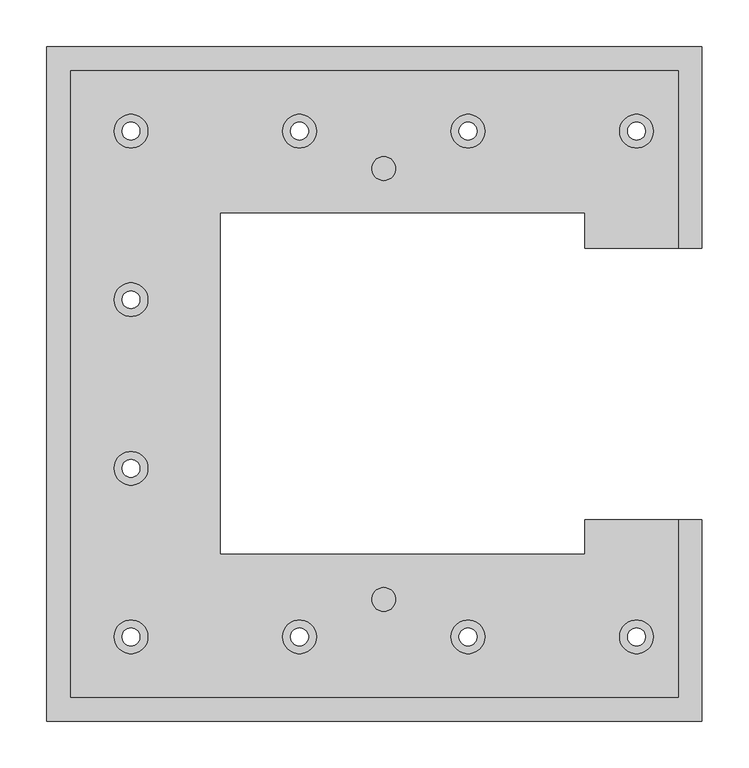
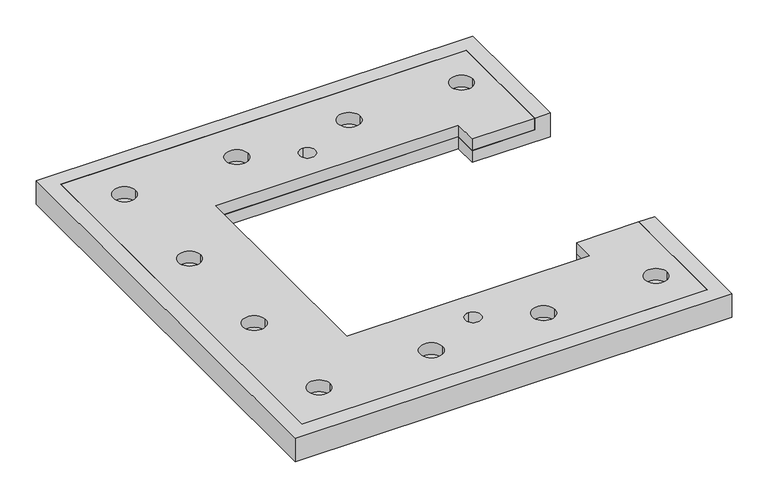
"""IFC4 building model written with IfcOpenShell, lengths in millimetres: proxy geometry."""

from ifc_helpers import new_model, si_unit, point, frame, frame_2d, origin, place, context, project, spatial, polyline, circle_curve, trimmed, segment, composite_curve, outline, extrude, source, transform, mapped, element, save
from ifc_brep_helpers import plane_surface, revolved_surface, advanced_brep


def specialty_equipment_c171bebd(model_context):
    return source(origin(), model_context, "Body", "SolidModel", [
        advanced_brep(
        [(315.0220252, 335.0, -20.0), (-335.0, 335.0, -20.0), (-335.0, -335.0, -20.0), (315.0220252, -335.0, -20.0), (315.0220252, -145.0, -20.0), (215.0, -145.0, -20.0), (215.0, -182.0, -20.0), (-175.0, -182.0, -20.0), (-175.0, 183.0, -20.0), (215.0, 183.0, -20.0), (215.0, 145.0, -20.0), (315.0220252, 145.0, -20.0), (-270.0, 260.4518489, -20.0), (-270.0, 279.4987168, -20.0), (-90.0, 260.4518489, -20.0), (-90.0, 279.4987168, -20.0), (90.0, 260.4518489, -20.0), (90.0, 279.4987168, -20.0), (270.0, 260.4518489, -20.0), (270.0, 279.4987168, -20.0), (-270.0, -279.5481511, -20.0), (-270.0, -260.5012832, -20.0), (-90.0, -279.5481511, -20.0), (-90.0, -260.5012832, -20.0), (90.0, -279.5481511, -20.0), (90.0, -260.5012832, -20.0), (270.0, -279.5481511, -20.0), (270.0, -260.5012832, -20.0), (-270.0, -99.5481511, -20.0), (-270.0, -80.5012832, -20.0), (-270.0, 80.4518489, -20.0), (-270.0, 99.4987168, -20.0), (315.0220252, 335.0, 0.0), (-335.0, 335.0, 0.0), (-335.0, -335.0, 0.0), (315.0220252, -335.0, 0.0), (315.0220252, 145.0, 0.0), (315.0220252, -145.0, 0.0), (-360.0, 360.0, -40.0), (340.0167038, 360.0, -40.0), (340.0167038, 145.0, -40.0), (215.0, 145.0, -40.0), (215.0, 183.0, -40.0), (-175.0, 183.0, -40.0), (-175.0, -182.0, -40.0), (215.0, -182.0, -40.0), (215.0, -145.0, -40.0), (340.0167038, -145.0, -40.0), (340.0167038, -360.0, -40.0), (-360.0, -360.0, -40.0), (-270.0, 260.4518489, -40.0), (-270.0, 279.4987168, -40.0), (-90.0, 260.4518489, -40.0), (-90.0, 279.4987168, -40.0), (90.0, 260.4518489, -40.0), (90.0, 279.4987168, -40.0), (270.0, 260.4518489, -40.0), (270.0, 279.4987168, -40.0), (-270.0, -279.5481511, -40.0), (-270.0, -260.5012832, -40.0), (-90.0, -279.5481511, -40.0), (-90.0, -260.5012832, -40.0), (90.0, -279.5481511, -40.0), (90.0, -260.5012832, -40.0), (270.0, -279.5481511, -40.0), (270.0, -260.5012832, -40.0), (-270.0, -99.5481511, -40.0), (-270.0, -80.5012832, -40.0), (-270.0, 80.4518489, -40.0), (-270.0, 99.4987168, -40.0), (-360.0, 360.0, 0.0), (-360.0, -360.0, 0.0), (340.0167038, -360.0, 0.0), (340.0167038, -145.0, 0.0), (340.0167038, 145.0, 0.0), (340.0167038, 360.0, 0.0)],
        [
            (0, 1),
            (1, 2),
            (2, 3),
            (3, 4),
            (4, 5),
            (5, 6),
            (6, 7),
            (7, 8),
            (8, 9),
            (9, 10),
            (10, 11),
            (11, 0),
            (12, 13, circle_curve(frame((-270.0, 269.9752829, -20.0), z_axis=(0.0, 0.0, -1.0), x_axis=(0.0, 1.0, 0.0)), 9.523434)),
            (13, 12, circle_curve(frame((-270.0, 269.9752829, -20.0), z_axis=(0.0, 0.0, -1.0), x_axis=(0.0, 1.0, 0.0)), 9.523434)),
            (14, 15, circle_curve(frame((-90.0, 269.9752829, -20.0), z_axis=(0.0, 0.0, -1.0), x_axis=(0.0, 1.0, 0.0)), 9.523434)),
            (15, 14, circle_curve(frame((-90.0, 269.9752829, -20.0), z_axis=(0.0, 0.0, -1.0), x_axis=(0.0, 1.0, 0.0)), 9.523434)),
            (16, 17, circle_curve(frame((90.0, 269.9752829, -20.0), z_axis=(0.0, 0.0, -1.0), x_axis=(0.0, 1.0, 0.0)), 9.523434)),
            (17, 16, circle_curve(frame((90.0, 269.9752829, -20.0), z_axis=(0.0, 0.0, -1.0), x_axis=(0.0, 1.0, 0.0)), 9.523434)),
            (18, 19, circle_curve(frame((270.0, 269.9752829, -20.0), z_axis=(0.0, 0.0, -1.0), x_axis=(0.0, 1.0, 0.0)), 9.523434)),
            (19, 18, circle_curve(frame((270.0, 269.9752829, -20.0), z_axis=(0.0, 0.0, -1.0), x_axis=(0.0, 1.0, 0.0)), 9.523434)),
            (20, 21, circle_curve(frame((-270.0, -270.0247171, -20.0), z_axis=(0.0, 0.0, -1.0), x_axis=(0.0, 1.0, 0.0)), 9.523434)),
            (21, 20, circle_curve(frame((-270.0, -270.0247171, -20.0), z_axis=(0.0, 0.0, -1.0), x_axis=(0.0, 1.0, 0.0)), 9.523434)),
            (22, 23, circle_curve(frame((-90.0, -270.0247171, -20.0), z_axis=(0.0, 0.0, -1.0), x_axis=(0.0, 1.0, 0.0)), 9.523434)),
            (23, 22, circle_curve(frame((-90.0, -270.0247171, -20.0), z_axis=(0.0, 0.0, -1.0), x_axis=(0.0, 1.0, 0.0)), 9.523434)),
            (24, 25, circle_curve(frame((90.0, -270.0247171, -20.0), z_axis=(0.0, 0.0, -1.0), x_axis=(0.0, 1.0, 0.0)), 9.523434)),
            (25, 24, circle_curve(frame((90.0, -270.0247171, -20.0), z_axis=(0.0, 0.0, -1.0), x_axis=(0.0, 1.0, 0.0)), 9.523434)),
            (26, 27, circle_curve(frame((270.0, -270.0247171, -20.0), z_axis=(0.0, 0.0, -1.0), x_axis=(0.0, 1.0, 0.0)), 9.523434)),
            (27, 26, circle_curve(frame((270.0, -270.0247171, -20.0), z_axis=(0.0, 0.0, -1.0), x_axis=(0.0, 1.0, 0.0)), 9.523434)),
            (28, 29, circle_curve(frame((-270.0, -90.0247171, -20.0), z_axis=(0.0, 0.0, -1.0), x_axis=(0.0, 1.0, 0.0)), 9.523434)),
            (29, 28, circle_curve(frame((-270.0, -90.0247171, -20.0), z_axis=(0.0, 0.0, -1.0), x_axis=(0.0, 1.0, 0.0)), 9.523434)),
            (30, 31, circle_curve(frame((-270.0, 89.9752829, -20.0), z_axis=(0.0, 0.0, -1.0), x_axis=(0.0, 1.0, 0.0)), 9.523434)),
            (31, 30, circle_curve(frame((-270.0, 89.9752829, -20.0), z_axis=(0.0, 0.0, -1.0), x_axis=(0.0, 1.0, 0.0)), 9.523434)),
            (0, 32),
            (32, 33),
            (33, 1),
            (33, 34),
            (34, 2),
            (34, 35),
            (35, 3),
            (11, 36),
            (36, 32),
            (35, 37),
            (37, 4),
            (38, 39),
            (39, 40),
            (40, 41),
            (41, 42),
            (42, 43),
            (43, 44),
            (44, 45),
            (45, 46),
            (46, 47),
            (47, 48),
            (48, 49),
            (49, 38),
            (50, 51, circle_curve(frame((-270.0, 269.9752829, -40.0), z_axis=(0.0, 0.0, 1.0), x_axis=(0.0, 1.0, 0.0)), 9.523434)),
            (51, 50, circle_curve(frame((-270.0, 269.9752829, -40.0), z_axis=(0.0, 0.0, 1.0), x_axis=(0.0, 1.0, 0.0)), 9.523434)),
            (52, 53, circle_curve(frame((-90.0, 269.9752829, -40.0), z_axis=(0.0, 0.0, 1.0), x_axis=(0.0, 1.0, 0.0)), 9.523434)),
            (53, 52, circle_curve(frame((-90.0, 269.9752829, -40.0), z_axis=(0.0, 0.0, 1.0), x_axis=(0.0, 1.0, 0.0)), 9.523434)),
            (54, 55, circle_curve(frame((90.0, 269.9752829, -40.0), z_axis=(0.0, 0.0, 1.0), x_axis=(0.0, 1.0, 0.0)), 9.523434)),
            (55, 54, circle_curve(frame((90.0, 269.9752829, -40.0), z_axis=(0.0, 0.0, 1.0), x_axis=(0.0, 1.0, 0.0)), 9.523434)),
            (56, 57, circle_curve(frame((270.0, 269.9752829, -40.0), z_axis=(0.0, 0.0, 1.0), x_axis=(0.0, 1.0, 0.0)), 9.523434)),
            (57, 56, circle_curve(frame((270.0, 269.9752829, -40.0), z_axis=(0.0, 0.0, 1.0), x_axis=(0.0, 1.0, 0.0)), 9.523434)),
            (58, 59, circle_curve(frame((-270.0, -270.0247171, -40.0), z_axis=(0.0, 0.0, 1.0), x_axis=(0.0, 1.0, 0.0)), 9.523434)),
            (59, 58, circle_curve(frame((-270.0, -270.0247171, -40.0), z_axis=(0.0, 0.0, 1.0), x_axis=(0.0, 1.0, 0.0)), 9.523434)),
            (60, 61, circle_curve(frame((-90.0, -270.0247171, -40.0), z_axis=(0.0, 0.0, 1.0), x_axis=(0.0, 1.0, 0.0)), 9.523434)),
            (61, 60, circle_curve(frame((-90.0, -270.0247171, -40.0), z_axis=(0.0, 0.0, 1.0), x_axis=(0.0, 1.0, 0.0)), 9.523434)),
            (62, 63, circle_curve(frame((90.0, -270.0247171, -40.0), z_axis=(0.0, 0.0, 1.0), x_axis=(0.0, 1.0, 0.0)), 9.523434)),
            (63, 62, circle_curve(frame((90.0, -270.0247171, -40.0), z_axis=(0.0, 0.0, 1.0), x_axis=(0.0, 1.0, 0.0)), 9.523434)),
            (64, 65, circle_curve(frame((270.0, -270.0247171, -40.0), z_axis=(0.0, 0.0, 1.0), x_axis=(0.0, 1.0, 0.0)), 9.523434)),
            (65, 64, circle_curve(frame((270.0, -270.0247171, -40.0), z_axis=(0.0, 0.0, 1.0), x_axis=(0.0, 1.0, 0.0)), 9.523434)),
            (66, 67, circle_curve(frame((-270.0, -90.0247171, -40.0), z_axis=(0.0, 0.0, 1.0), x_axis=(0.0, 1.0, 0.0)), 9.523434)),
            (67, 66, circle_curve(frame((-270.0, -90.0247171, -40.0), z_axis=(0.0, 0.0, 1.0), x_axis=(0.0, 1.0, 0.0)), 9.523434)),
            (68, 69, circle_curve(frame((-270.0, 89.9752829, -40.0), z_axis=(0.0, 0.0, 1.0), x_axis=(0.0, 1.0, 0.0)), 9.523434)),
            (69, 68, circle_curve(frame((-270.0, 89.9752829, -40.0), z_axis=(0.0, 0.0, 1.0), x_axis=(0.0, 1.0, 0.0)), 9.523434)),
            (70, 71),
            (71, 72),
            (72, 73),
            (73, 37),
            (36, 74),
            (74, 75),
            (75, 70),
            (49, 71),
            (70, 38),
            (39, 75),
            (74, 40),
            (48, 72),
            (41, 10),
            (9, 42),
            (46, 5),
            (73, 47),
            (45, 6),
            (44, 7),
            (43, 8),
            (51, 13),
            (12, 50),
            (53, 15),
            (14, 52),
            (55, 17),
            (16, 54),
            (57, 19),
            (18, 56),
            (59, 21),
            (20, 58),
            (61, 23),
            (22, 60),
            (63, 25),
            (24, 62),
            (65, 27),
            (26, 64),
            (67, 29),
            (28, 66),
            (69, 31),
            (30, 68),
        ],
        [
            plane_surface(frame((-262.4818874, 335.0, -20.0), z_axis=(0.0, 0.0, 1.0), x_axis=(1.0, 0.0, 0.0))),
            plane_surface(frame((315.0220252, 335.0, 0.0), z_axis=(0.0, -1.0, 0.0), x_axis=(0.0, 0.0, -1.0))),
            plane_surface(frame((-335.0, 335.0, 0.0), z_axis=(1.0, 0.0, 0.0), x_axis=(0.0, 0.0, -1.0))),
            plane_surface(frame((-335.0, -335.0, 0.0), z_axis=(0.0, 1.0, 0.0), x_axis=(0.0, 0.0, -1.0))),
            plane_surface(frame((315.0220252, -335.0, 0.0), z_axis=(-1.0, 0.0, 0.0), x_axis=(0.0, 0.0, -1.0))),
            plane_surface(frame((-360.0, -287.5248427, -40.0), z_axis=(0.0, 0.0, -1.0), x_axis=(0.0, 1.0, 0.0))),
            plane_surface(frame((-360.0, -287.5248427, 0.0), z_axis=(0.0, 0.0, 1.0), x_axis=(0.0, -1.0, 0.0))),
            plane_surface(frame((-360.0, 360.0, 0.0), z_axis=(-1.0, 0.0, 0.0), x_axis=(0.0, 0.0, -1.0))),
            plane_surface(frame((340.0167038, 145.0, 0.0), z_axis=(1.0, 0.0, 0.0), x_axis=(0.0, 0.0, -1.0))),
            plane_surface(frame((340.0167038, 360.0, 0.0), z_axis=(0.0, 1.0, 0.0), x_axis=(0.0, 0.0, -1.0))),
            plane_surface(frame((-360.0, -360.0, 0.0), z_axis=(0.0, -1.0, 0.0), x_axis=(0.0, 0.0, -1.0))),
            plane_surface(frame((215.0, 183.0, 0.0), z_axis=(-1.0, 0.0, 0.0), x_axis=(0.0, 0.0, -1.0))),
            plane_surface(frame((215.0, 145.0, 0.0), z_axis=(0.0, -1.0, 0.0), x_axis=(0.0, 0.0, -1.0))),
            plane_surface(frame((340.0167038, -145.0, 0.0), z_axis=(0.0, 1.0, 0.0), x_axis=(0.0, 0.0, -1.0))),
            plane_surface(frame((215.0, -145.0, 0.0), z_axis=(-1.0, 0.0, 0.0), x_axis=(0.0, 0.0, -1.0))),
            plane_surface(frame((215.0, -182.0, 0.0), z_axis=(0.0, 1.0, 0.0), x_axis=(0.0, 0.0, -1.0))),
            plane_surface(frame((-175.0, -182.0, 0.0), z_axis=(1.0, 0.0, 0.0), x_axis=(0.0, 0.0, -1.0))),
            plane_surface(frame((-175.0, 183.0, 0.0), z_axis=(0.0, -1.0, 0.0), x_axis=(0.0, 0.0, -1.0))),
            revolved_surface(polyline([(-270.0, 279.49871690000003, -40.0), (-270.0, 279.49871690000003, -20.0)]), (-270.0, 269.9752829, 0.0), (0.0, 0.0, -1.0)),
            revolved_surface(polyline([(-90.0, 279.49871690000003, -40.0), (-90.0, 279.49871690000003, -20.0)]), (-90.0, 269.9752829, 0.0), (0.0, 0.0, -1.0)),
            revolved_surface(polyline([(90.0, 279.49871690000003, -40.0), (90.0, 279.49871690000003, -20.0)]), (90.0, 269.9752829, 0.0), (0.0, 0.0, -1.0)),
            revolved_surface(polyline([(270.0, 279.49871690000003, -40.0), (270.0, 279.49871690000003, -20.0)]), (270.0, 269.9752829, 0.0), (0.0, 0.0, -1.0)),
            revolved_surface(polyline([(-270.0, -260.50128309999997, -40.0), (-270.0, -260.50128309999997, -20.0)]), (-270.0, -270.0247171, 0.0), (0.0, 0.0, -1.0)),
            revolved_surface(polyline([(-90.0, -260.50128309999997, -40.0), (-90.0, -260.50128309999997, -20.0)]), (-90.0, -270.0247171, 0.0), (0.0, 0.0, -1.0)),
            revolved_surface(polyline([(90.0, -260.50128309999997, -40.0), (90.0, -260.50128309999997, -20.0)]), (90.0, -270.0247171, 0.0), (0.0, 0.0, -1.0)),
            revolved_surface(polyline([(270.0, -260.50128309999997, -40.0), (270.0, -260.50128309999997, -20.0)]), (270.0, -270.0247171, 0.0), (0.0, 0.0, -1.0)),
            revolved_surface(polyline([(-270.0, -80.50128310000001, -40.0), (-270.0, -80.50128310000001, -20.0)]), (-270.0, -90.0247171, 0.0), (0.0, 0.0, -1.0)),
            revolved_surface(polyline([(-270.0, 99.49871689999999, -40.0), (-270.0, 99.49871689999999, -20.0)]), (-270.0, 89.9752829, 0.0), (0.0, 0.0, -1.0)),
            plane_surface(frame((340.0167038, -360.0, 0.0), z_axis=(1.0, 0.0, 0.0), x_axis=(0.0, 0.0, -1.0))),
        ],
        [
            (0, [[1, 2, 3, 4, 5, 6, 7, 8, 9, 10, 11, 12], [13, 14], [15, 16], [17, 18], [19, 20], [21, 22], [23, 24], [25, 26], [27, 28], [29, 30], [31, 32]]),
            (1, [[-1, 33, 34, 35]]),
            (2, [[-2, -35, 36, 37]]),
            (3, [[-3, -37, 38, 39]]),
            (4, [[-33, -12, 40, 41]]),
            (4, [[-39, 42, 43, -4]]),
            (5, [[44, 45, 46, 47, 48, 49, 50, 51, 52, 53, 54, 55], [56, 57], [58, 59], [60, 61], [62, 63], [64, 65], [66, 67], [68, 69], [70, 71], [72, 73], [74, 75]]),
            (6, [[76, 77, 78, 79, -42, -38, -36, -34, -41, 80, 81, 82]]),
            (7, [[-55, 83, -76, 84]]),
            (8, [[-45, 85, -81, 86]]),
            (9, [[-44, -84, -82, -85]]),
            (10, [[-54, 87, -77, -83]]),
            (11, [[-47, 88, -10, 89]]),
            (12, [[-46, -86, -80, -40, -11, -88]]),
            (13, [[-52, 90, -5, -43, -79, 91]]),
            (14, [[-51, 92, -6, -90]]),
            (15, [[-50, 93, -7, -92]]),
            (16, [[-49, 94, -8, -93]]),
            (17, [[-48, -89, -9, -94]]),
            (18, [[-57, 95, -13, 96]]),
            (18, [[-56, -96, -14, -95]]),
            (19, [[-59, 97, -15, 98]]),
            (19, [[-58, -98, -16, -97]]),
            (20, [[-61, 99, -17, 100]]),
            (20, [[-60, -100, -18, -99]]),
            (21, [[-63, 101, -19, 102]]),
            (21, [[-62, -102, -20, -101]]),
            (22, [[-65, 103, -21, 104]]),
            (22, [[-64, -104, -22, -103]]),
            (23, [[-67, 105, -23, 106]]),
            (23, [[-66, -106, -24, -105]]),
            (24, [[-69, 107, -25, 108]]),
            (24, [[-68, -108, -26, -107]]),
            (25, [[-71, 109, -27, 110]]),
            (25, [[-70, -110, -28, -109]]),
            (26, [[-73, 111, -29, 112]]),
            (26, [[-72, -112, -30, -111]]),
            (27, [[-75, 113, -31, 114]]),
            (27, [[-74, -114, -32, -113]]),
            (28, [[-53, -91, -78, -87]]),
        ],
    ),
        extrude(outline(polyline([(-335.0, 335.0), (315.0220252, 335.0), (315.0220252, 145.0), (215.0, 145.0), (215.0, 183.0), (-175.0, 183.0), (-175.0, -182.0), (215.0, -182.0), (215.0, -145.0), (315.0220252, -145.0), (315.0220252, -335.0), (-335.0, -335.0), (-335.0, 335.0)]), holes=[composite_curve([segment(trimmed(circle_curve(frame_2d((0.0, 230.0)), 12.75), [point((0.0, 217.25))], [point((0.0, 242.75))], True, "CARTESIAN"), True, "CONTINUOUS"), segment(trimmed(circle_curve(frame_2d((0.0, 230.0)), 12.75), [point((0.0, 242.75))], [point((0.0, 217.25))], True, "CARTESIAN"), True, "CONTINUOUS")], self_intersect=False), composite_curve([segment(trimmed(circle_curve(frame_2d((0.0, -230.0)), 12.75), [point((0.0, -242.75))], [point((0.0, -217.25))], True, "CARTESIAN"), True, "CONTINUOUS"), segment(trimmed(circle_curve(frame_2d((0.0, -230.0)), 12.75), [point((0.0, -217.25))], [point((0.0, -242.75))], True, "CARTESIAN"), True, "CONTINUOUS")], self_intersect=False), composite_curve([segment(trimmed(circle_curve(frame_2d((-270.0, 270.0)), 18.0), [point((-288.0, 270.0))], [point((-252.0, 270.0))], True, "CARTESIAN"), True, "CONTINUOUS"), segment(trimmed(circle_curve(frame_2d((-270.0, 270.0)), 18.0), [point((-252.0, 270.0))], [point((-288.0, 270.0))], True, "CARTESIAN"), True, "CONTINUOUS")], self_intersect=False), composite_curve([segment(trimmed(circle_curve(frame_2d((-90.0, 270.0)), 18.0), [point((-108.0, 270.0))], [point((-72.0, 270.0))], True, "CARTESIAN"), True, "CONTINUOUS"), segment(trimmed(circle_curve(frame_2d((-90.0, 270.0)), 18.0), [point((-72.0, 270.0))], [point((-108.0, 270.0))], True, "CARTESIAN"), True, "CONTINUOUS")], self_intersect=False), composite_curve([segment(trimmed(circle_curve(frame_2d((90.0, 270.0)), 18.0), [point((72.0, 270.0))], [point((108.0, 270.0))], True, "CARTESIAN"), True, "CONTINUOUS"), segment(trimmed(circle_curve(frame_2d((90.0, 270.0)), 18.0), [point((108.0, 270.0))], [point((72.0, 270.0))], True, "CARTESIAN"), True, "CONTINUOUS")], self_intersect=False), composite_curve([segment(trimmed(circle_curve(frame_2d((270.0, 270.0)), 18.0), [point((252.0, 270.0))], [point((288.0, 270.0))], True, "CARTESIAN"), True, "CONTINUOUS"), segment(trimmed(circle_curve(frame_2d((270.0, 270.0)), 18.0), [point((288.0, 270.0))], [point((252.0, 270.0))], True, "CARTESIAN"), True, "CONTINUOUS")], self_intersect=False), composite_curve([segment(trimmed(circle_curve(frame_2d((-270.0, -270.0)), 18.0), [point((-288.0, -270.0))], [point((-252.0, -270.0))], True, "CARTESIAN"), True, "CONTINUOUS"), segment(trimmed(circle_curve(frame_2d((-270.0, -270.0)), 18.0), [point((-252.0, -270.0))], [point((-288.0, -270.0))], True, "CARTESIAN"), True, "CONTINUOUS")], self_intersect=False), composite_curve([segment(trimmed(circle_curve(frame_2d((-90.0, -270.0)), 18.0), [point((-108.0, -270.0))], [point((-72.0, -270.0))], True, "CARTESIAN"), True, "CONTINUOUS"), segment(trimmed(circle_curve(frame_2d((-90.0, -270.0)), 18.0), [point((-72.0, -270.0))], [point((-108.0, -270.0))], True, "CARTESIAN"), True, "CONTINUOUS")], self_intersect=False), composite_curve([segment(trimmed(circle_curve(frame_2d((90.0, -270.0)), 18.0), [point((72.0, -270.0))], [point((108.0, -270.0))], True, "CARTESIAN"), True, "CONTINUOUS"), segment(trimmed(circle_curve(frame_2d((90.0, -270.0)), 18.0), [point((108.0, -270.0))], [point((72.0, -270.0))], True, "CARTESIAN"), True, "CONTINUOUS")], self_intersect=False), composite_curve([segment(trimmed(circle_curve(frame_2d((270.0, -270.0)), 18.0), [point((252.0, -270.0))], [point((288.0, -270.0))], True, "CARTESIAN"), True, "CONTINUOUS"), segment(trimmed(circle_curve(frame_2d((270.0, -270.0)), 18.0), [point((288.0, -270.0))], [point((252.0, -270.0))], True, "CARTESIAN"), True, "CONTINUOUS")], self_intersect=False), composite_curve([segment(trimmed(circle_curve(frame_2d((-270.0, -90.0)), 18.0), [point((-288.0, -90.0))], [point((-252.0, -90.0))], True, "CARTESIAN"), True, "CONTINUOUS"), segment(trimmed(circle_curve(frame_2d((-270.0, -90.0)), 18.0), [point((-252.0, -90.0))], [point((-288.0, -90.0))], True, "CARTESIAN"), True, "CONTINUOUS")], self_intersect=False), composite_curve([segment(trimmed(circle_curve(frame_2d((-270.0, 90.0)), 18.0), [point((-288.0, 90.0))], [point((-252.0, 90.0))], True, "CARTESIAN"), True, "CONTINUOUS"), segment(trimmed(circle_curve(frame_2d((-270.0, 90.0)), 18.0), [point((-252.0, 90.0))], [point((-288.0, 90.0))], True, "CARTESIAN"), True, "CONTINUOUS")], self_intersect=False)]), frame((0.0, 0.0, -20.0), z_axis=(0.0, 0.0, 1.0), x_axis=(1.0, 0.0, 0.0)), (0.0, 0.0, 1.0), 20.0),
    ])


if __name__ == "__main__":
    model = new_model("IFC4")
    model_context = context("Model", 3, world=origin())
    ifc_project = project(units=[si_unit("LENGTHUNIT", "METRE", prefix="MILLI")], contexts=[model_context])
    site = spatial("IfcSite", under=ifc_project)
    building = spatial("IfcBuilding", under=site)
    placement = place(None, origin())
    specialty_equipment_shape = specialty_equipment_c171bebd(model_context)
    element("IfcBuildingElementProxy", 1, Name="Specialty Equipment", at=placement, inside=building, context=model_context, shape_type="MappedRepresentation", body=[
        mapped(specialty_equipment_shape, transform((0.0, 0.0, 0.0), x_axis=(1.0, 0.0, 0.0), y_axis=(0.0, 1.0, 0.0), z_axis=(0.0, 0.0, 1.0))),
    ])
    save(model, "model.ifc")
